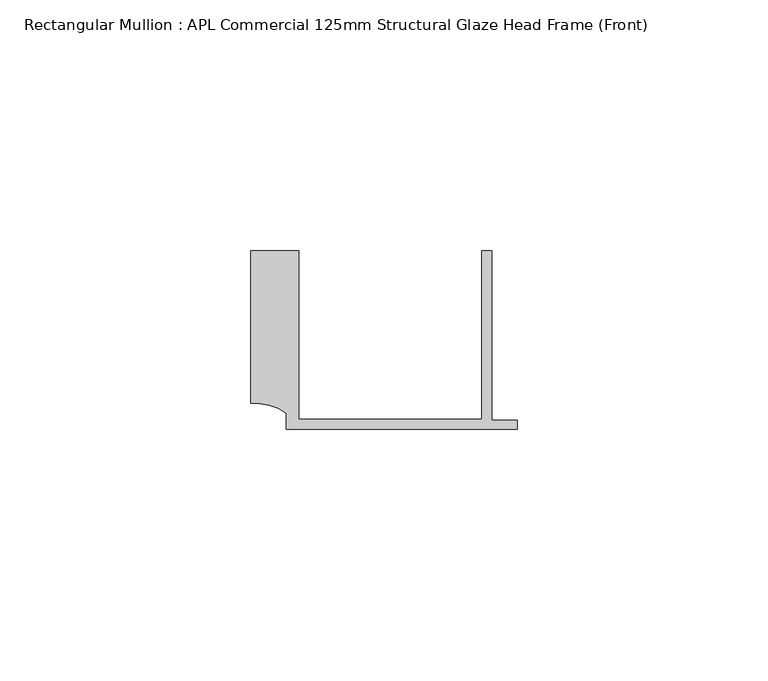
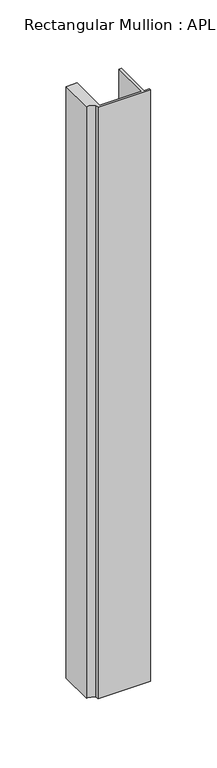
"""IFC4 building model written with IfcOpenShell, lengths in millimetres: member geometry, Rectangular Mullion : APL Commercial 125mm Structural Glaze Head Frame (Front)."""

import ifcopenshell
import ifcopenshell.guid

model = None  # the IFC model being written
_history = None  # IfcOwnerHistory: only IFC2X3 demands one
_inside = {}  # id of a spatial element -> (the spatial element, [elements in it])
_under = {}  # id of a project, library or spatial element -> (it, [spatial elements below it])
_declared = {}  # id of a project -> (the project, [libraries it declares])
_typed = {}  # id of a type object -> (the type object, [elements of that type])
_made_of = {}  # id of a material, layer set ... -> (it, [elements and type objects made of it])


def new_model(schema):
    """Start an empty IFC model of exactly this schema.

    Asked for "IFC4X3", IfcOpenShell would pick the latest addendum, in which some entities
    have other attributes; the version numbers below select the first issue.
    IFC2X3 requires an IfcOwnerHistory on every rooted entity: one is made here for all.
    """
    global model, _history
    if schema == "IFC4X3":
        model = ifcopenshell.file(schema_version=(4, 3, 0, 0))
    else:
        model = ifcopenshell.file(schema=schema)
    _inside.clear()
    _under.clear()
    _declared.clear()
    _typed.clear()
    _made_of.clear()
    _history = None
    if model.schema == "IFC2X3":
        org = make("IfcOrganization", Name="unknown")
        user = make(
            "IfcPersonAndOrganization",
            ThePerson=make("IfcPerson", FamilyName="unknown"),
            TheOrganization=org,
        )
        app = make(
            "IfcApplication",
            ApplicationDeveloper=org,
            Version="unknown",
            ApplicationFullName="unknown",
            ApplicationIdentifier="unknown",
        )
        _history = make(
            "IfcOwnerHistory",
            OwningUser=user,
            OwningApplication=app,
            ChangeAction="ADDED",
            CreationDate=0,
        )
    return model


def make(cls, **values):
    """One entity of the class cls with the attributes given. An attribute that is None is left unset."""
    return model.create_entity(
        cls, **{name: value for name, value in values.items() if value is not None}
    )


def rooted(cls, **values):
    """An entity with a GlobalId (a new one), such as an element, a storey or a relation."""
    return make(cls, GlobalId=ifcopenshell.guid.new(), OwnerHistory=_history, **values)


def si_unit(unit_type, name, prefix=None):
    """IfcSIUnit, for example si_unit("LENGTHUNIT", "METRE", prefix="MILLI")."""
    return make("IfcSIUnit", UnitType=unit_type, Prefix=prefix, Name=name)


def assignment(units):
    """IfcUnitAssignment: the units of a project."""
    return None if units is None else make("IfcUnitAssignment", Units=units)


def point(xyz):
    """IfcCartesianPoint."""
    return None if xyz is None else make("IfcCartesianPoint", Coordinates=xyz)


def direction(xyz):
    """IfcDirection."""
    return None if xyz is None else make("IfcDirection", DirectionRatios=xyz)


def frame(location, z_axis=None, x_axis=None):
    """IfcAxis2Placement3D, a coordinate frame: its origin and axes. An axis left out is left unset."""
    return make(
        "IfcAxis2Placement3D",
        Location=point(location),
        Axis=direction(z_axis),
        RefDirection=direction(x_axis),
    )


def frame_2d(location, x_axis=None):
    """IfcAxis2Placement2D, a coordinate frame in the plane: its origin and x axis."""
    return make(
        "IfcAxis2Placement2D", Location=point(location), RefDirection=direction(x_axis)
    )


def origin():
    """The frame at (0, 0, 0) with its axes left unset."""
    return frame((0.0, 0.0, 0.0))


def place(relative_to, where):
    """IfcLocalPlacement: puts the frame where relative to a parent placement (None: the world)."""
    return make(
        "IfcLocalPlacement", PlacementRelTo=relative_to, RelativePlacement=where
    )


def context(
    kind, dimensions, precision=None, world=None, true_north=None, identifier=None
):
    """IfcGeometricRepresentationContext, for example the 3D "Model" context."""
    return make(
        "IfcGeometricRepresentationContext",
        ContextIdentifier=identifier,
        ContextType=kind,
        CoordinateSpaceDimension=dimensions,
        Precision=precision,
        WorldCoordinateSystem=world,
        TrueNorth=true_north,
    )


def project(units=None, contexts=None):
    """IfcProject with its units and contexts."""
    return rooted(
        "IfcProject",
        Name="project",
        RepresentationContexts=contexts,
        UnitsInContext=assignment(units),
    )


def spatial(cls, under=None, at=None, **own):
    """A site, building, storey or space (cls), placed at a placement, below another one or the project."""
    s = rooted(cls, ObjectPlacement=at, **own)
    if under is not None:
        _under.setdefault(under.id(), (under, []))[1].append(s)
    return s


def polyline(points):
    """IfcPolyline through the points."""
    return make("IfcPolyline", Points=[point(p) for p in points])


def circle_curve(where, radius):
    """IfcCircle in the frame where."""
    return make("IfcCircle", Position=where, Radius=radius)


def trimmed(basis, trim1, trim2, sense, master):
    """IfcTrimmedCurve: the piece of a basis curve between two trims."""
    return make(
        "IfcTrimmedCurve",
        BasisCurve=basis,
        Trim1=trim1,
        Trim2=trim2,
        SenseAgreement=sense,
        MasterRepresentation=master,
    )


def segment(curve, same_sense, transition):
    """IfcCompositeCurveSegment."""
    return make(
        "IfcCompositeCurveSegment",
        Transition=transition,
        SameSense=same_sense,
        ParentCurve=curve,
    )


def composite_curve(segments, self_intersect=None):
    """IfcCompositeCurve: segments joined end to end."""
    return make("IfcCompositeCurve", Segments=segments, SelfIntersect=self_intersect)


def outline(outer, holes=None, kind="AREA"):
    """IfcArbitraryClosedProfileDef: a profile drawn as a closed curve; with holes, ...WithVoids."""
    if holes is None:
        return make("IfcArbitraryClosedProfileDef", ProfileType=kind, OuterCurve=outer)
    return make(
        "IfcArbitraryProfileDefWithVoids",
        ProfileType=kind,
        OuterCurve=outer,
        InnerCurves=holes,
    )


def extrude(swept, where, along, depth):
    """IfcExtrudedAreaSolid: the profile swept, set in the frame where, extruded along a direction by depth."""
    return make(
        "IfcExtrudedAreaSolid",
        SweptArea=swept,
        Position=where,
        ExtrudedDirection=direction(along),
        Depth=depth,
    )


def shape(context_of_items, identifier, shape_type, items):
    """IfcShapeRepresentation: the items that make up one representation, for example the "Body"."""
    return make(
        "IfcShapeRepresentation",
        ContextOfItems=context_of_items,
        RepresentationIdentifier=identifier,
        RepresentationType=shape_type,
        Items=items,
    )


def source(mapping_origin, context_of_items, identifier, shape_type, items):
    """IfcRepresentationMap: a shape defined once, which mapped items show again and again."""
    return make(
        "IfcRepresentationMap",
        MappingOrigin=mapping_origin,
        MappedRepresentation=shape(context_of_items, identifier, shape_type, items),
    )


def transform(
    local_origin,
    x_axis=None,
    y_axis=None,
    z_axis=None,
    scale=None,
    scale2=None,
    scale3=None,
    uniform=True,
):
    """IfcCartesianTransformationOperator3D, or its non-uniform kind. x_axis, y_axis, z_axis: its Axis1, 2, 3."""
    if uniform:
        return make(
            "IfcCartesianTransformationOperator3D",
            Axis1=direction(x_axis),
            Axis2=direction(y_axis),
            LocalOrigin=point(local_origin),
            Scale=scale,
            Axis3=direction(z_axis),
        )
    return make(
        "IfcCartesianTransformationOperator3DnonUniform",
        Axis1=direction(x_axis),
        Axis2=direction(y_axis),
        LocalOrigin=point(local_origin),
        Scale=scale,
        Axis3=direction(z_axis),
        Scale2=scale2,
        Scale3=scale3,
    )


def mapped(mapping_source, mapping_target):
    """IfcMappedItem: shows the shape of a source again, moved by a transform."""
    return make(
        "IfcMappedItem", MappingSource=mapping_source, MappingTarget=mapping_target
    )


def made_of(thing, what):
    """Note that an element or type object is made of a material, layer set ...; save() writes the relation."""
    if what is not None:
        _made_of.setdefault(what.id(), (what, []))[1].append(thing)
    return thing


def element(
    cls,
    number,
    at=None,
    inside=None,
    cuts=None,
    type_object=None,
    material=None,
    context=None,
    identifier="Body",
    shape_type=None,
    held_by="IfcProductDefinitionShape",
    body=None,
    shapes=None,
    **own,
):
    """One element of the class cls, such as IfcWall. Its Tag is "e" and its number.

    at: its placement. inside: the storey or other place that contains it. cuts: it is an
    opening in that element (IfcRelVoidsElement). A single representation is given by context,
    identifier, shape_type and body (its items); several are given by shapes. held_by: the class
    of the entity that holds the representations. save() writes the other relations.
    """
    e = rooted(cls, Tag="e%d" % number, ObjectPlacement=at, **own)
    if body is not None:
        shapes = [shape(context, identifier, shape_type, body)]
    if shapes is not None:
        e.Representation = make(held_by, Representations=shapes)
    if inside is not None:
        _inside.setdefault(inside.id(), (inside, []))[1].append(e)
    if cuts is not None:
        rooted(
            "IfcRelVoidsElement", RelatingBuildingElement=cuts, RelatedOpeningElement=e
        )
    if type_object is not None:
        _typed.setdefault(type_object.id(), (type_object, []))[1].append(e)
    return made_of(e, material)


def aggregate(whole, parts):
    """IfcRelAggregates: a whole, such as a stair, and the parts it consists of."""
    return rooted("IfcRelAggregates", RelatingObject=whole, RelatedObjects=parts)


def save(model, path):
    """Write the relations noted so far, then the file.

    IfcRelAggregates (storeys below a building ...), IfcRelContainedInSpatialStructure (elements
    in a storey), IfcRelDefinesByType, IfcRelAssociatesMaterial and IfcRelDeclares: one each for
    every whole, place, type object, material and project.
    """
    for whole, parts in _under.values():
        aggregate(whole, parts)
    for where, things in _inside.values():
        rooted(
            "IfcRelContainedInSpatialStructure",
            RelatedElements=things,
            RelatingStructure=where,
        )
    for kind, things in _typed.values():
        rooted("IfcRelDefinesByType", RelatedObjects=things, RelatingType=kind)
    for what, things in _made_of.values():
        rooted("IfcRelAssociatesMaterial", RelatedObjects=things, RelatingMaterial=what)
    for by, libraries in _declared.values():
        rooted("IfcRelDeclares", RelatingContext=by, RelatedDefinitions=libraries)
    model.write(path)


def rectangular_mullion_apl_commercial_125mm_structural_glaze_48e29a23(model_context):
    return source(origin(), model_context, "Body", "SweptSolid", [
        extrude(outline(composite_curve([segment(polyline([(-52.9999542, 15.0), (-43.5000151, 15.0), (-43.5000151, -18.5002486), (-7.0, -18.5002486), (-7.0, 15.0), (-5.0, 15.0), (-5.0, -18.7002486), (0.0, -18.7002486), (0.0, -20.5002486), (-45.9999994, -20.5002486), (-45.9999994, -17.3126154)]), True, "CONTINUOUS"), segment(trimmed(circle_curve(frame_2d((-52.109817, -25.7982641)), 10.4563907), [point((-45.9999994, -17.3126154))], [point((-52.9999542, -15.3798304))], True, "CARTESIAN"), True, "CONTINUOUS"), segment(polyline([(-52.9999542, -15.3798304), (-52.9999542, 15.0)]), True, "CONTINUOUS")], self_intersect=False)), frame((0.0, 0.0, -543.5830712), z_axis=(0.0, 0.0, 1.0), x_axis=(1.0, 0.0, 0.0)), (0.0, 0.0, 1.0), 543.5830712),
    ])


if __name__ == "__main__":
    model = new_model("IFC4")
    model_context = context("Model", 3, world=origin())
    ifc_project = project(units=[si_unit("LENGTHUNIT", "METRE", prefix="MILLI")], contexts=[model_context])
    site = spatial("IfcSite", under=ifc_project)
    building = spatial("IfcBuilding", under=site)
    placement = place(None, origin())
    rectangular_mullion_apl_commercial_125mm_structural_glaze_shape = rectangular_mullion_apl_commercial_125mm_structural_glaze_48e29a23(model_context)
    element("IfcMember", 1, ObjectType="Rectangular Mullion : APL Commercial 125mm Structural Glaze Head Frame (Front)", at=placement, inside=building, context=model_context, shape_type="MappedRepresentation", body=[
        mapped(rectangular_mullion_apl_commercial_125mm_structural_glaze_shape, transform((0.0, 0.0, 0.0), x_axis=(1.0, 0.0, 0.0), y_axis=(0.0, 1.0, 0.0), z_axis=(0.0, 0.0, 1.0))),
    ])
    save(model, "model.ifc")
